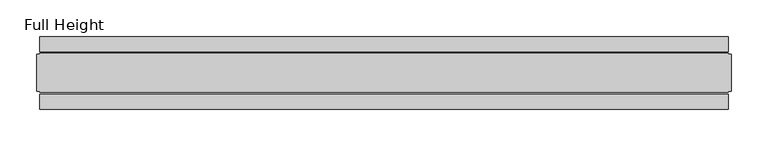
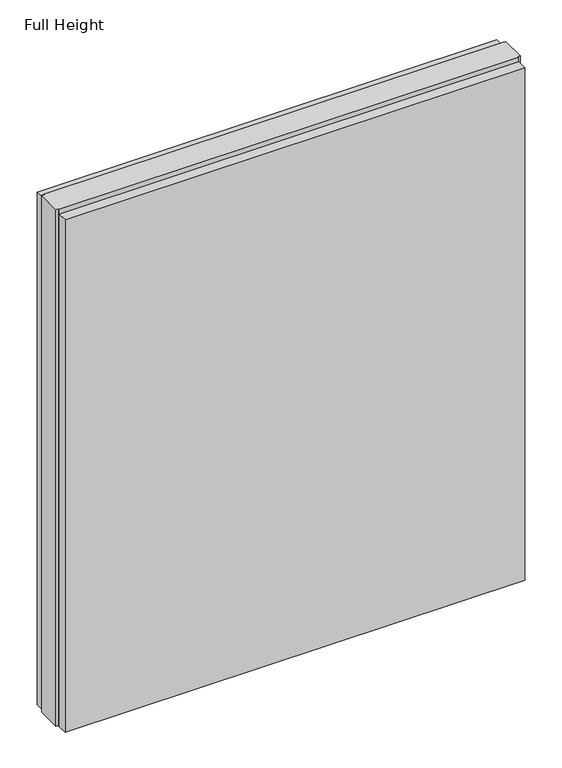
"""IFC4 building model written with IfcOpenShell, lengths in millimetres: plate geometry, Full Height."""

from ifc_helpers import new_model, si_unit, origin, origin_with_axes, place, context, project, spatial, polyline, outline, extrude, source, transform, mapped, element, save


def full_height_0e7be56e(model_context):
    return source(origin(), model_context, "Body", "SweptSolid", [
        extrude(outline(polyline([(470.0875405, 28.956), (-470.0875405, 28.956), (-470.0875405, 49.53), (470.0875405, 49.53), (470.0875405, 28.956)])), origin_with_axes(), (0.0, 0.0, 1.0), 1108.456),
        extrude(outline(polyline([(470.0875405, -28.956), (470.0875405, -49.53), (-470.0875405, -49.53), (-470.0875405, -28.956), (470.0875405, -28.956)])), origin_with_axes(), (0.0, 0.0, 1.0), 1108.456),
        extrude(outline(polyline([(470.0875405, -25.146), (470.0875405, -26.67), (-470.0875405, -26.67), (-470.0875405, -25.146), (-474.6595405, -25.146), (-474.6595405, 25.146), (-470.0875405, 25.146), (-470.0875405, 26.67), (470.0875405, 26.67), (470.0875405, 25.146), (474.6595405, 25.146), (474.6595405, -25.146), (470.0875405, -25.146)])), origin_with_axes(), (0.0, 0.0, 1.0), 1117.6),
    ])


if __name__ == "__main__":
    model = new_model("IFC4")
    model_context = context("Model", 3, world=origin())
    ifc_project = project(units=[si_unit("LENGTHUNIT", "METRE", prefix="MILLI")], contexts=[model_context])
    site = spatial("IfcSite", under=ifc_project)
    building = spatial("IfcBuilding", under=site)
    placement = place(None, origin())
    full_height_shape = full_height_0e7be56e(model_context)
    element("IfcPlate", 1, ObjectType="Full Height", at=placement, inside=building, context=model_context, shape_type="MappedRepresentation", body=[
        mapped(full_height_shape, transform((0.0, 0.0, 0.0), x_axis=(1.0, 0.0, 0.0), y_axis=(0.0, 1.0, 0.0), z_axis=(0.0, 0.0, 1.0))),
    ])
    save(model, "model.ifc")
